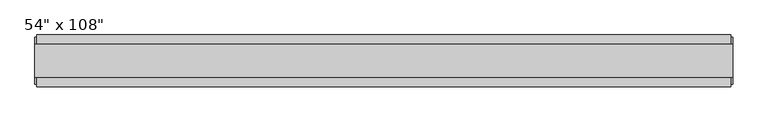
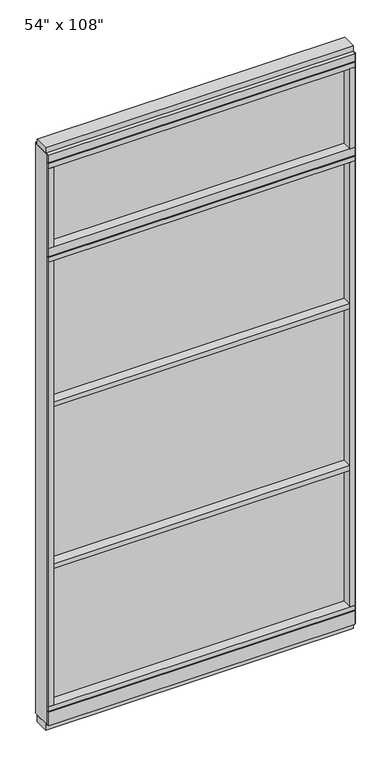
"""IFC4 building model written with IfcOpenShell, lengths in millimetres: furniture geometry."""

from ifc_helpers import new_model, si_unit, frame, origin, origin_with_axes, place, context, project, spatial, polyline, outline, extrude, source, transform, mapped, element, save


def furniture_8e44993c(model_context):
    return source(origin(), model_context, "Body", "SweptSolid", [
        extrude(outline(polyline([(599.6014771, -9.5977216), (-719.6745229, -9.5977216), (-719.6745229, 0.5622784), (599.6014771, 0.5622784), (599.6014771, -9.5977216)])), frame((0.0, 0.0, 2276.475), z_axis=(0.0, 0.0, 1.0), x_axis=(1.0, 0.0, 0.0)), (0.0, 0.0, 1.0), 355.6),
        extrude(outline(polyline([(-719.6745229, -52.3332216), (-719.6745229, 43.2977784), (599.6014771, 43.2977784), (599.6014771, -52.3332216), (-719.6745229, -52.3332216)])), frame((0.0, 0.0, 1524.0), z_axis=(0.0, 0.0, 1.0), x_axis=(1.0, 0.0, 0.0)), (0.0, 0.0, 1.0), 22.225),
        extrude(outline(polyline([(-719.6745229, -52.3332216), (-719.6745229, 43.2977784), (599.6014771, 43.2977784), (599.6014771, -52.3332216), (-719.6745229, -52.3332216)])), frame((0.0, 0.0, 762.0), z_axis=(0.0, 0.0, 1.0), x_axis=(1.0, 0.0, 0.0)), (0.0, 0.0, 1.0), 22.225),
        extrude(outline(polyline([(599.6014771, -9.5977216), (-719.6745229, -9.5977216), (-719.6745229, 0.5622784), (599.6014771, 0.5622784), (599.6014771, -9.5977216)])), frame((0.0, 0.0, 120.523), z_axis=(0.0, 0.0, 1.0), x_axis=(1.0, 0.0, 0.0)), (0.0, 0.0, 1.0), 2114.677),
        extrude(outline(polyline([(599.6014771, -55.3177216), (599.6014771, 46.2822784), (621.8264771, 46.2822784), (621.8264771, -55.3177216), (599.6014771, -55.3177216)])), frame((0.0, 0.0, 2276.475), z_axis=(0.0, 0.0, 1.0), x_axis=(1.0, 0.0, 0.0)), (0.0, 0.0, 1.0), 377.825),
        extrude(outline(polyline([(-55.3177216, 2240.153), (-55.3177216, 2276.475), (46.2822784, 2276.475), (46.2822784, 2240.153), (41.3292784, 2240.153), (41.3292784, 2235.2), (-50.3647216, 2235.2), (-50.3647216, 2240.153), (-55.3177216, 2240.153)])), frame((-741.8995229, 0.0, 0.0), z_axis=(1.0, 0.0, 0.0), x_axis=(0.0, 1.0, 0.0)), (0.0, 0.0, 1.0), 1363.726),
        extrude(outline(polyline([(-719.6745229, -55.3177216), (-741.8995229, -55.3177216), (-741.8995229, 46.2822784), (-719.6745229, 46.2822784), (-719.6745229, -55.3177216)])), frame((0.0, 0.0, 2276.475), z_axis=(0.0, 0.0, 1.0), x_axis=(1.0, 0.0, 0.0)), (0.0, 0.0, 1.0), 377.825),
        extrude(outline(polyline([(-741.8995229, -55.3177216), (-741.8995229, 46.2822784), (621.8264771, 46.2822784), (621.8264771, -55.3177216), (-741.8995229, -55.3177216)])), frame((0.0, 0.0, 2212.975), z_axis=(0.0, 0.0, 1.0), x_axis=(1.0, 0.0, 0.0)), (0.0, 0.0, 1.0), 22.225),
        extrude(outline(polyline([(-55.3177216, 93.345), (-50.3647216, 93.345), (-50.3647216, 98.298), (41.3292784, 98.298), (41.3292784, 93.345), (46.2822784, 93.345), (46.2822784, 31.75), (-55.3177216, 31.75), (-55.3177216, 93.345)])), frame((-741.8995229, 0.0, 0.0), z_axis=(1.0, 0.0, 0.0), x_axis=(0.0, 1.0, 0.0)), (0.0, 0.0, 1.0), 1363.726),
        extrude(outline(polyline([(-741.8995229, -55.3177216), (-741.8995229, 46.2822784), (621.8264771, 46.2822784), (621.8264771, -55.3177216), (-741.8995229, -55.3177216)])), frame((0.0, 0.0, 98.298), z_axis=(0.0, 0.0, 1.0), x_axis=(1.0, 0.0, 0.0)), (0.0, 0.0, 1.0), 22.225),
        extrude(outline(polyline([(625.7634771, 27.9942784), (625.7634771, -37.0297216), (-745.8365229, -37.0297216), (-745.8365229, 27.9942784), (625.7634771, 27.9942784)])), origin_with_axes(), (0.0, 0.0, 1.0), 31.75),
        extrude(outline(polyline([(-745.8365229, -37.0297216), (-745.8365229, 27.9942784), (625.7634771, 27.9942784), (625.7634771, -37.0297216), (-745.8365229, -37.0297216)])), frame((0.0, 0.0, 2717.8), z_axis=(0.0, 0.0, 1.0), x_axis=(1.0, 0.0, 0.0)), (0.0, 0.0, 1.0), 25.4),
        extrude(outline(polyline([(-55.3177216, 2681.478), (-55.3177216, 2717.8), (46.2822784, 2717.8), (46.2822784, 2681.478), (41.3292784, 2681.478), (41.3292784, 2676.525), (-50.3647216, 2676.525), (-50.3647216, 2681.478), (-55.3177216, 2681.478)])), frame((-741.8995229, 0.0, 0.0), z_axis=(1.0, 0.0, 0.0), x_axis=(0.0, 1.0, 0.0)), (0.0, 0.0, 1.0), 1363.726),
        extrude(outline(polyline([(621.8264771, 46.2822784), (621.8264771, -55.3177216), (-741.8995229, -55.3177216), (-741.8995229, 46.2822784), (621.8264771, 46.2822784)])), frame((0.0, 0.0, 2654.3), z_axis=(0.0, 0.0, 1.0), x_axis=(1.0, 0.0, 0.0)), (0.0, 0.0, 1.0), 22.225),
        extrude(outline(polyline([(599.6014771, -55.3177216), (599.6014771, 46.2822784), (621.8264771, 46.2822784), (621.8264771, -55.3177216), (599.6014771, -55.3177216)])), frame((0.0, 0.0, 120.523), z_axis=(0.0, 0.0, 1.0), x_axis=(1.0, 0.0, 0.0)), (0.0, 0.0, 1.0), 2092.452),
        extrude(outline(polyline([(-719.6745229, -55.3177216), (-741.8995229, -55.3177216), (-741.8995229, 46.2822784), (-719.6745229, 46.2822784), (-719.6745229, -55.3177216)])), frame((0.0, 0.0, 120.523), z_axis=(0.0, 0.0, 1.0), x_axis=(1.0, 0.0, 0.0)), (0.0, 0.0, 1.0), 2092.452),
        extrude(outline(polyline([(625.7634771, -50.3647216), (621.8264771, -50.3647216), (621.8264771, 41.3292784), (625.7634771, 41.3292784), (625.7634771, -50.3647216)])), frame((0.0, 0.0, 31.75), z_axis=(0.0, 0.0, 1.0), x_axis=(1.0, 0.0, 0.0)), (0.0, 0.0, 1.0), 2686.05),
        extrude(outline(polyline([(-745.8365229, -50.3647216), (-745.8365229, 41.3292784), (-741.8995229, 41.3292784), (-741.8995229, -50.3647216), (-745.8365229, -50.3647216)])), frame((0.0, 0.0, 31.75), z_axis=(0.0, 0.0, 1.0), x_axis=(1.0, 0.0, 0.0)), (0.0, 0.0, 1.0), 2686.05),
    ])


if __name__ == "__main__":
    model = new_model("IFC4")
    model_context = context("Model", 3, world=origin())
    ifc_project = project(units=[si_unit("LENGTHUNIT", "METRE", prefix="MILLI")], contexts=[model_context])
    site = spatial("IfcSite", under=ifc_project)
    building = spatial("IfcBuilding", under=site)
    placement = place(None, origin())
    furniture_shape = furniture_8e44993c(model_context)
    element("IfcFurniture", 1, ObjectType="54\" x 108\"", at=placement, inside=building, context=model_context, shape_type="MappedRepresentation", body=[
        mapped(furniture_shape, transform((0.0, 0.0, 0.0), x_axis=(1.0, 0.0, 0.0), y_axis=(0.0, 1.0, 0.0), z_axis=(0.0, 0.0, 1.0))),
    ])
    save(model, "model.ifc")
